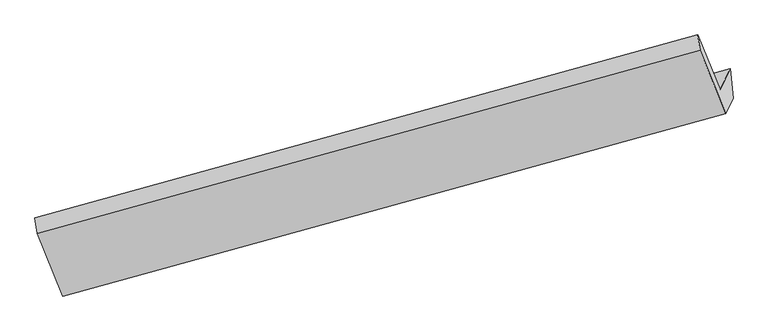
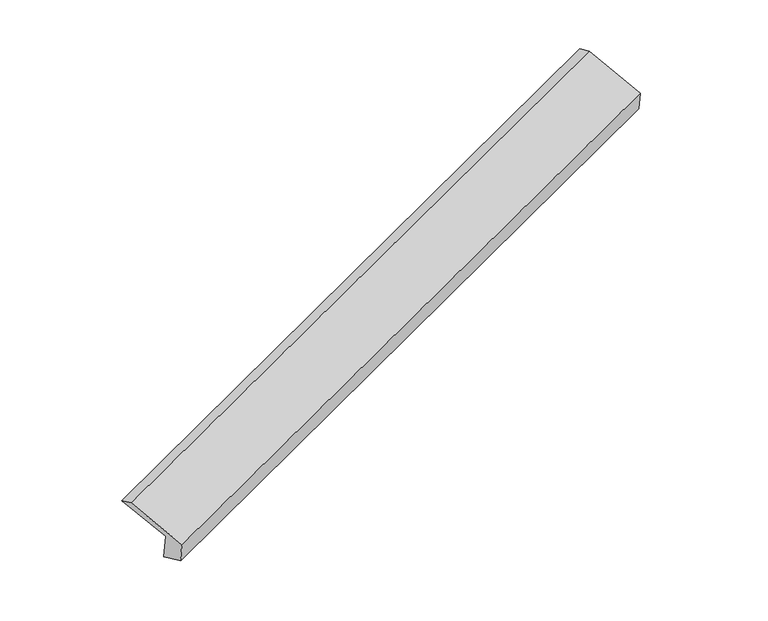
"""IFC4 building model written with IfcOpenShell, lengths in millimetres: proxy geometry."""

from ifc_helpers import new_model, si_unit, frame, origin, place, context, project, spatial, source, transform, mapped, element, save
from ifc_brep_helpers import plane_surface, spline_surface, advanced_brep


def generic_models_6e5a7d7a(model_context):
    return source(origin(), model_context, "Body", "AdvancedBrep", [
        advanced_brep(
        [(-5847.3033779, -2298.1450752, 468.0393592), (-5935.3165619, -2484.0974148, 855.0587023), (256.3025453, -781.1025934, 3070.0305876), (348.783988, -585.7098141, 2663.3630229), (-6140.4828091, -1980.3865992, 1050.4206947), (47.5861781, -268.6757543, 3268.7730508), (-6120.3803823, -2123.8243022, 1102.2357754), (67.688605, -412.1134574, 3320.5881316), (-5881.6126897, -2710.0311994, 874.8780458), (308.2313576, -1002.6783663, 3091.5401666), (-5812.1880006, -2563.3522274, 569.597674), (376.4599854, -858.5264065, 2791.5192208)],
        [
            (0, 1),
            (1, 2),
            (2, 3),
            (3, 0),
            (1, 4),
            (4, 5),
            (5, 2),
            (4, 6),
            (6, 7),
            (7, 5),
            (6, 8),
            (8, 9),
            (9, 7),
            (8, 10),
            (10, 11),
            (11, 9),
            (10, 0),
            (3, 11),
        ],
        [
            plane_surface(frame((-5891.3099699, -2391.121245, 661.5490307), z_axis=(-0.35971173117980454, 0.8703253587610437, 0.3363647430232381), x_axis=(-0.20080492879389414, -0.42425628311284297, 0.8829971612702696))),
            plane_surface(frame((-6037.8996855, -2232.242007, 952.7396985), z_axis=(0.19946056728099548, 0.42389427068999946, -0.8834755963670629), x_axis=(-0.35501199734090716, 0.8716023475857629, 0.33804708167207514))),
            plane_surface(frame((-6130.4315957, -2052.1054507, 1076.3282351), z_axis=(-0.3893953165396361, 0.26417376734777975, 0.88237379159984), x_axis=(0.13068055645930512, -0.9324505436715315, 0.3368361259873289))),
            plane_surface(frame((-6000.996536, -2416.9277508, 988.5569106), z_axis=(-0.19946056728099676, -0.4238942706899942, 0.8834755963670651), x_axis=(0.35501199734090255, -0.8716023475857664, -0.3380470816720713))),
            plane_surface(frame((-5846.9003451, -2636.6917134, 722.2378599), z_axis=(0.36038233052875834, -0.8701410487995365, -0.33612368413532484), x_axis=(0.20080492879389408, 0.42425628311284225, -0.88299716127027))),
            spline_surface(1, 1, [[(-5812.1880006, -2563.3522274, 569.597674), (376.4599854, -858.5264065, 2791.5192208)], [(-5847.3033779, -2298.1450752, 468.0393592), (348.783988, -585.7098141, 2663.3630229)]], [2, 2], [2, 2], [0.0, 1.0], [0.0, 1.0]),
            plane_surface(frame((234.1754432, -651.467732, 3034.3023634), z_axis=(0.9130409970620667, 0.24559306570477285, 0.32563811779587265), x_axis=(0.20080492879389408, 0.42425628311284225, -0.88299716127027))),
            plane_surface(frame((-5956.2139703, -2359.972803, 820.0383752), z_axis=(-0.9130409970620758, -0.24559306570474945, -0.32563811779586427), x_axis=(0.12271653361170946, -0.9268105577715927, 0.35491244326091964))),
        ],
        [
            (0, [[1, 2, 3, 4]]),
            (1, [[5, 6, 7, -2]]),
            (2, [[8, 9, 10, -6]]),
            (3, [[11, 12, 13, -9]]),
            (4, [[14, 15, 16, -12]]),
            (5, [[17, -4, 18, -15]]),
            (6, [[-16, -18, -3, -7, -10, -13]]),
            (7, [[-17, -14, -11, -8, -5, -1]]),
        ],
    ),
    ])


if __name__ == "__main__":
    model = new_model("IFC4")
    model_context = context("Model", 3, world=origin())
    ifc_project = project(units=[si_unit("LENGTHUNIT", "METRE", prefix="MILLI")], contexts=[model_context])
    site = spatial("IfcSite", under=ifc_project)
    building = spatial("IfcBuilding", under=site)
    placement = place(None, origin())
    generic_models_shape = generic_models_6e5a7d7a(model_context)
    element("IfcBuildingElementProxy", 1, Name="Generic Models", at=placement, inside=building, context=model_context, shape_type="MappedRepresentation", body=[
        mapped(generic_models_shape, transform((0.0, 0.0, 0.0), x_axis=(1.0, 0.0, 0.0), y_axis=(0.0, 1.0, 0.0), z_axis=(0.0, 0.0, 1.0))),
    ])
    save(model, "model.ifc")
